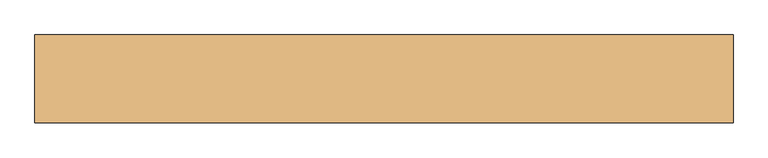
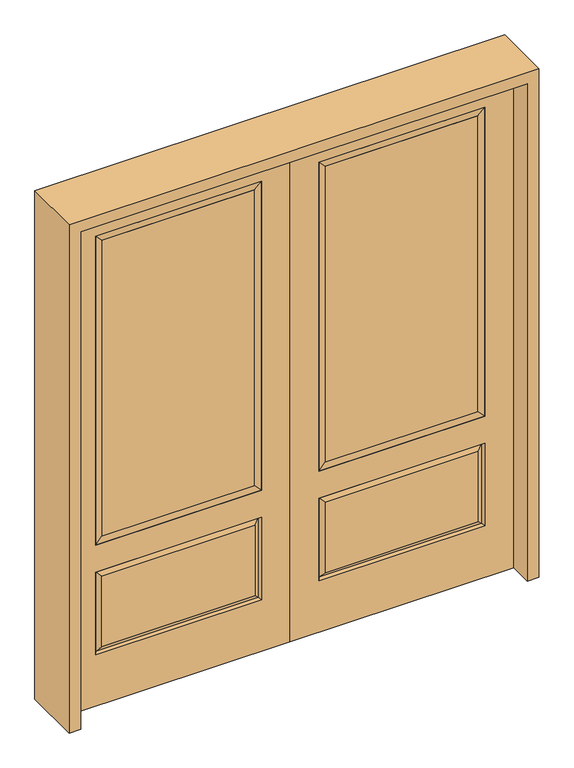
"""IFC4 building model written with IfcOpenShell, lengths in millimetres: door geometry."""

from ifc_helpers import new_model, si_unit, frame, origin, place, context, project, spatial, polyline, outline, extrude, faceted_brep, source, transform, mapped, element, save


def door_6835f79c(model_context):
    return source(origin(), model_context, "Body", "SolidModel", [
        faceted_brep([(745.3661499, -12.7912373, 216.6588501), (727.86875, -22.225, 234.15625), (135.73125, -22.225, 234.15625), (118.2338501, -12.7912373, 216.6588501), (111.125, -22.225, 209.55), (752.475, -22.225, 209.55), (752.475, -22.225, 546.1), (745.3661499, -12.7912373, 538.9911499), (0.0, -22.225, 2032.0), (0.0, -22.225, 0.0), (863.6, -22.225, 0.0), (863.6, -22.225, 2032.0), (111.125, -22.225, 546.1), (111.125, -22.225, 1917.7), (752.475, -22.225, 1917.7), (752.475, -22.225, 657.098), (111.125, -22.225, 657.098), (727.86875, -22.225, 521.49375), (135.73125, -22.225, 521.49375), (118.2338501, -12.7912373, 538.9911499), (863.6, 22.225, 0.0), (863.6, 22.225, 2032.0), (0.0, 22.225, 0.0), (0.0, 22.225, 2032.0), (111.125, 22.225, 657.098), (111.125, 22.225, 1917.7), (752.475, 22.225, 657.098), (752.475, 22.225, 1917.7), (135.73125, 22.225, 234.15625), (135.73125, 22.225, 521.49375), (727.86875, 22.225, 521.49375), (727.86875, 22.225, 234.15625), (752.475, 22.225, 209.55), (752.475, 22.225, 546.1), (111.125, 22.225, 546.1), (111.125, 22.225, 209.55), (118.2338501, 12.7912373, 216.6588501), (745.3661499, 12.7912373, 216.6588501), (118.2338501, 12.7912373, 538.9911499), (745.3661499, 12.7912373, 538.9911499)], [[[0, 1, 2, 3]], [[3, 4, 5, 0]], [[5, 6, 7, 0]], [[8, 9, 10, 11], [4, 12, 6, 5], [13, 14, 15, 16]], [[1, 17, 18, 2]], [[3, 19, 12, 4]], [[2, 18, 19, 3]], [[0, 7, 17, 1]], [[6, 12, 19, 7]], [[7, 19, 18, 17]], [[10, 20, 21, 11]], [[9, 22, 20, 10]], [[8, 23, 22, 9]], [[16, 24, 25, 13]], [[15, 26, 24, 16]], [[14, 27, 26, 15]], [[28, 29, 30, 31]], [[23, 21, 20, 22], [25, 24, 26, 27], [32, 33, 34, 35]], [[32, 35, 36, 37]], [[35, 34, 38, 36]], [[39, 38, 34, 33]], [[37, 39, 33, 32]], [[36, 28, 31, 37]], [[31, 30, 39, 37]], [[30, 29, 38, 39]], [[36, 38, 29, 28]], [[11, 21, 23, 8]], [[13, 25, 27, 14]]]),
        faceted_brep([(752.475, -22.225, 1917.7), (752.475, -22.225, 657.098), (752.475, 22.225, 657.098), (752.475, 22.225, 1917.7), (111.125, -22.225, 657.098), (111.125, 22.225, 657.098), (136.525, 5.08, 682.498), (727.075, 5.08, 682.498), (111.125, -22.225, 1917.7), (111.125, 22.225, 1917.7), (727.075, -20.32, 682.498), (136.525, -20.32, 682.498), (727.075, -20.32, 1892.3), (136.525, -20.32, 1892.3), (727.075, 5.08, 1892.3), (136.525, 5.08, 1892.3)], [[[0, 1, 2, 3]], [[1, 4, 5, 2]], [[2, 5, 6, 7]], [[4, 8, 9, 5]], [[10, 11, 4, 1]], [[12, 10, 1, 0]], [[11, 13, 8, 4]], [[7, 6, 11, 10]], [[14, 7, 10, 12]], [[6, 15, 13, 11]], [[3, 2, 7, 14]], [[5, 9, 15, 6]], [[8, 0, 3, 9]], [[13, 12, 0, 8]], [[15, 14, 12, 13]], [[9, 3, 14, 15]]]),
        extrude(outline(polyline([(136.525, -20.32), (136.525, 5.08), (727.075, 5.08), (727.075, -20.32), (136.525, -20.32)])), frame((0.0, 0.0, 682.498), z_axis=(0.0, 0.0, 1.0), x_axis=(1.0, 0.0, 0.0)), (0.0, 0.0, 1.0), 1209.802),
        faceted_brep([(-745.3661499, -12.7912373, 216.6588501), (-118.2338501, -12.7912373, 216.6588501), (-135.73125, -22.225, 234.15625), (-727.86875, -22.225, 234.15625), (-752.475, -22.225, 209.55), (-111.125, -22.225, 209.55), (-745.3661499, -12.7912373, 538.9911499), (-752.475, -22.225, 546.1), (-135.73125, -22.225, 521.49375), (-727.86875, -22.225, 521.49375), (0.0, -22.225, 2032.0), (-863.6, -22.225, 2032.0), (-863.6, -22.225, 0.0), (0.0, -22.225, 0.0), (-111.125, -22.225, 546.1), (-111.125, -22.225, 1917.7), (-111.125, -22.225, 657.098), (-752.475, -22.225, 657.098), (-752.475, -22.225, 1917.7), (-118.2338501, -12.7912373, 538.9911499), (-863.6, 22.225, 2032.0), (-863.6, 22.225, 0.0), (0.0, 22.225, 0.0), (0.0, 22.225, 2032.0), (-111.125, 22.225, 1917.7), (-111.125, 22.225, 657.098), (-752.475, 22.225, 657.098), (-752.475, 22.225, 1917.7), (-752.475, 22.225, 209.55), (-111.125, 22.225, 209.55), (-111.125, 22.225, 546.1), (-752.475, 22.225, 546.1), (-135.73125, 22.225, 234.15625), (-727.86875, 22.225, 234.15625), (-727.86875, 22.225, 521.49375), (-135.73125, 22.225, 521.49375), (-745.3661499, 12.7912373, 216.6588501), (-118.2338501, 12.7912373, 216.6588501), (-118.2338501, 12.7912373, 538.9911499), (-745.3661499, 12.7912373, 538.9911499)], [[[0, 1, 2, 3]], [[1, 0, 4, 5]], [[4, 0, 6, 7]], [[3, 2, 8, 9]], [[10, 11, 12, 13], [5, 4, 7, 14], [15, 16, 17, 18]], [[1, 5, 14, 19]], [[2, 1, 19, 8]], [[0, 3, 9, 6]], [[7, 6, 19, 14]], [[6, 9, 8, 19]], [[12, 11, 20, 21]], [[13, 12, 21, 22]], [[10, 13, 22, 23]], [[16, 15, 24, 25]], [[17, 16, 25, 26]], [[18, 17, 26, 27]], [[23, 22, 21, 20], [28, 29, 30, 31], [24, 27, 26, 25]], [[32, 33, 34, 35]], [[28, 36, 37, 29]], [[29, 37, 38, 30]], [[39, 31, 30, 38]], [[36, 28, 31, 39]], [[37, 36, 33, 32]], [[33, 36, 39, 34]], [[34, 39, 38, 35]], [[37, 32, 35, 38]], [[11, 10, 23, 20]], [[15, 18, 27, 24]]]),
        faceted_brep([(-752.475, -22.225, 1917.7), (-752.475, 22.225, 1917.7), (-752.475, 22.225, 657.098), (-752.475, -22.225, 657.098), (-111.125, 22.225, 657.098), (-111.125, -22.225, 657.098), (-727.075, 5.08, 682.498), (-136.525, 5.08, 682.498), (-111.125, 22.225, 1917.7), (-111.125, -22.225, 1917.7), (-727.075, -20.32, 682.498), (-136.525, -20.32, 682.498), (-727.075, -20.32, 1892.3), (-136.525, -20.32, 1892.3), (-727.075, 5.08, 1892.3), (-136.525, 5.08, 1892.3)], [[[0, 1, 2, 3]], [[3, 2, 4, 5]], [[2, 6, 7, 4]], [[5, 4, 8, 9]], [[10, 3, 5, 11]], [[12, 0, 3, 10]], [[11, 5, 9, 13]], [[6, 10, 11, 7]], [[14, 12, 10, 6]], [[7, 11, 13, 15]], [[1, 14, 6, 2]], [[4, 7, 15, 8]], [[9, 8, 1, 0]], [[13, 9, 0, 12]], [[15, 13, 12, 14]], [[8, 15, 14, 1]]]),
        extrude(outline(polyline([(-136.525, -20.32), (-727.075, -20.32), (-727.075, 5.08), (-136.525, 5.08), (-136.525, -20.32)])), frame((0.0, 0.0, 682.498), z_axis=(0.0, 0.0, 1.0), x_axis=(1.0, 0.0, 0.0)), (0.0, 0.0, 1.0), 1209.802),
        extrude(outline(polyline([(2076.45, -908.05), (0.0, -908.05), (0.0, -863.6), (2032.0, -863.6), (2032.0, 863.6), (0.0, 863.6), (0.0, 908.05), (2076.45, 908.05), (2076.45, -908.05)])), frame((0.0, -114.3, 0.0), z_axis=(0.0, 1.0, 0.0), x_axis=(0.0, 0.0, 1.0)), (0.0, 0.0, 1.0), 228.6),
    ])


if __name__ == "__main__":
    model = new_model("IFC4")
    model_context = context("Model", 3, world=origin())
    ifc_project = project(units=[si_unit("LENGTHUNIT", "METRE", prefix="MILLI")], contexts=[model_context])
    site = spatial("IfcSite", under=ifc_project)
    building = spatial("IfcBuilding", under=site)
    placement = place(None, origin())
    door_shape = door_6835f79c(model_context)
    element("IfcDoor", 1, at=placement, inside=building, context=model_context, shape_type="MappedRepresentation", body=[
        mapped(door_shape, transform((0.0, 0.0, 0.0), x_axis=(1.0, 0.0, 0.0), y_axis=(0.0, 1.0, 0.0), z_axis=(0.0, 0.0, 1.0))),
    ])
    save(model, "model.ifc")
